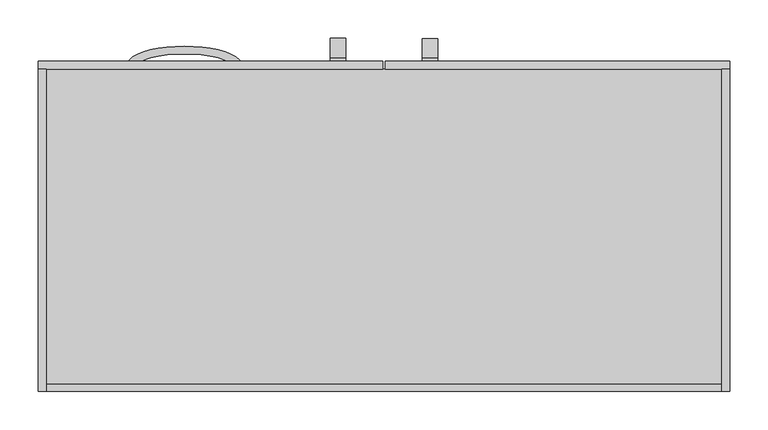
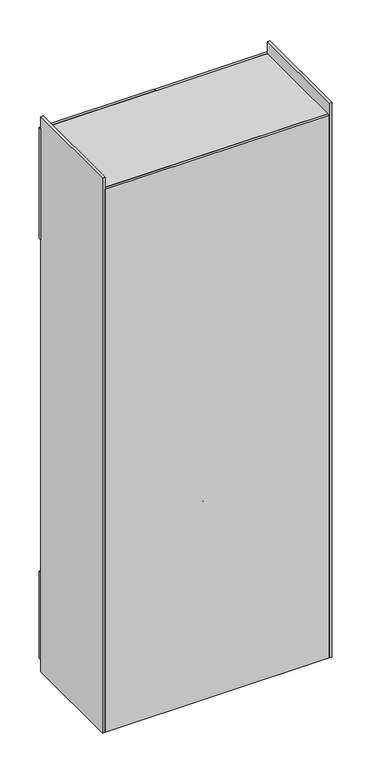
"""IFC4 building model written with IfcOpenShell, lengths in millimetres: furniture geometry."""

from ifc_helpers import new_model, si_unit, point, frame, frame_2d, origin, origin_with_axes, place, context, project, spatial, polyline, circle_curve, ellipse_curve, trimmed, segment, composite_curve, outline, extrude, source, transform, mapped, element, save
from ifc_brep_helpers import plane_surface, extruded_surface, advanced_brep


def furniture_317e4691(model_context):
    return source(origin(), model_context, "Body", "SolidModel", [
        advanced_brep(
        [(-70.0, 215.0, 2030.0), (-70.0, 215.0, 2045.0), (-70.0, 220.0, 2045.0), (-70.0, 220.0, 1895.0), (-70.0, 215.0, 1895.0), (-70.0, 215.0, 1910.0), (-70.0, 220.0, 1910.0), (-70.0, 220.0, 2030.0), (-50.0, 215.0, 2030.0), (-50.0, 220.0, 2030.0), (-50.0, 220.0, 1910.0), (-50.0, 215.0, 1910.0), (-50.0, 215.0, 1895.0), (-50.0, 220.0, 1895.0), (-50.0, 220.0, 2045.0), (-50.0, 215.0, 2045.0)],
        [
            (0, 1),
            (1, 2),
            (2, 3, ellipse_curve(frame((-70.0, 220.0, 1970.0), z_axis=(-1.0, 0.0, 0.0), x_axis=(0.0, 0.0, 1.0)), 75.0, 25.0)),
            (3, 4),
            (4, 5),
            (5, 6),
            (6, 7, ellipse_curve(frame((-70.0, 220.0, 1970.0), z_axis=(1.0, 0.0, 0.0), x_axis=(0.0, 0.0, 1.0)), 60.0, 15.0)),
            (7, 0),
            (8, 9),
            (9, 10, ellipse_curve(frame((-50.0, 220.0, 1970.0), z_axis=(-1.0, 0.0, 0.0), x_axis=(0.0, 0.0, 1.0)), 60.0, 15.0)),
            (10, 11),
            (11, 12),
            (12, 13),
            (13, 14, ellipse_curve(frame((-50.0, 220.0, 1970.0), z_axis=(1.0, 0.0, 0.0), x_axis=(0.0, 0.0, 1.0)), 75.0, 25.0)),
            (14, 15),
            (15, 8),
            (7, 9),
            (8, 0),
            (6, 10),
            (5, 11),
            (4, 12),
            (3, 13),
            (2, 14),
            (1, 15),
        ],
        [
            plane_surface(frame((-70.0, 227.1119554, 2030.0), z_axis=(-1.0, 0.0, 0.0), x_axis=(0.0, 1.0, 0.0))),
            plane_surface(frame((-50.0, 227.1119554, 2030.0), z_axis=(1.0, 0.0, 0.0), x_axis=(0.0, -1.0, 0.0))),
            plane_surface(frame((-70.0, 215.0, 2030.0), z_axis=(0.0, 0.0, -1.0), x_axis=(1.0, 0.0, 0.0))),
            extruded_surface(trimmed(ellipse_curve(frame((-50.0, 220.0, 1970.0), z_axis=(-1.0, 0.0, 0.0), x_axis=(0.0, 0.0, 1.0)), 60.0, 15.0), [point((-50.0, 220.0, 2030.0))], [point((-50.0, 220.0, 1910.0))], True, "CARTESIAN"), (20.0, 0.0, 0.0), 20.0),
            plane_surface(frame((-70.0, 220.0, 1910.0), z_axis=(0.0, 0.0, 1.0), x_axis=(1.0, 0.0, 0.0))),
            plane_surface(frame((-70.0, 215.0, 1910.0), z_axis=(0.0, -1.0, 0.0), x_axis=(1.0, 0.0, 0.0))),
            plane_surface(frame((-70.0, 215.0, 1895.0), z_axis=(0.0, 0.0, -1.0), x_axis=(1.0, 0.0, 0.0))),
            extruded_surface(trimmed(ellipse_curve(frame((-50.0, 220.0, 1970.0), z_axis=(1.0, 0.0, 0.0), x_axis=(0.0, 0.0, 1.0)), 75.0, 25.0), [point((-50.0, 220.0, 1895.0))], [point((-50.0, 220.0, 2045.0))], True, "CARTESIAN"), (20.0, 0.0, 0.0), 20.0),
            plane_surface(frame((-70.0, 220.0, 2045.0), z_axis=(0.0, 0.0, 1.0), x_axis=(1.0, 0.0, 0.0))),
            plane_surface(frame((-70.0, 215.0, 2045.0), z_axis=(0.0, -1.0, 0.0), x_axis=(1.0, 0.0, 0.0))),
        ],
        [
            (0, [[1, 2, 3, 4, 5, 6, 7, 8]]),
            (1, [[9, 10, 11, 12, 13, 14, 15, 16]]),
            (2, [[17, -9, 18, -8]]),
            (3, [[19, -10, -17, -7]]),
            (4, [[20, -11, -19, -6]]),
            (5, [[21, -12, -20, -5]]),
            (6, [[22, -13, -21, -4]]),
            (7, [[23, -14, -22, -3]]),
            (8, [[24, -15, -23, -2]]),
            (9, [[-18, -16, -24, -1]]),
        ],
    ),
        advanced_brep(
        [(70.0, 215.0, 2030.0), (70.0, 220.0, 2030.0), (70.0, 220.0, 1910.0), (70.0, 215.0, 1910.0), (70.0, 215.0, 1895.0), (70.0, 220.0, 1895.0), (70.0, 220.0, 2045.0), (70.0, 215.0, 2045.0), (50.0, 215.0, 2030.0), (50.0, 215.0, 2045.0), (50.0, 220.0, 2045.0), (50.0, 220.0, 1895.0), (50.0, 215.0, 1895.0), (50.0, 215.0, 1910.0), (50.0, 220.0, 1910.0), (50.0, 220.0, 2030.0)],
        [
            (0, 1),
            (1, 2, ellipse_curve(frame((70.0, 220.0, 1970.0), z_axis=(-1.0, 0.0, 0.0), x_axis=(0.0, 0.0, 1.0)), 60.0, 15.0)),
            (2, 3),
            (3, 4),
            (4, 5),
            (5, 6, ellipse_curve(frame((70.0, 220.0, 1970.0), z_axis=(1.0, 0.0, 0.0), x_axis=(0.0, 0.0, 1.0)), 75.0, 25.0)),
            (6, 7),
            (7, 0),
            (8, 9),
            (9, 10),
            (10, 11, ellipse_curve(frame((50.0, 220.0, 1970.0), z_axis=(-1.0, 0.0, 0.0), x_axis=(0.0, 0.0, 1.0)), 75.0, 25.0)),
            (11, 12),
            (12, 13),
            (13, 14),
            (14, 15, ellipse_curve(frame((50.0, 220.0, 1970.0), z_axis=(1.0, 0.0, 0.0), x_axis=(0.0, 0.0, 1.0)), 60.0, 15.0)),
            (15, 8),
            (0, 8),
            (15, 1),
            (14, 2),
            (13, 3),
            (12, 4),
            (11, 5),
            (10, 6),
            (9, 7),
        ],
        [
            plane_surface(frame((70.0, 227.1119554, 2030.0), z_axis=(1.0, 0.0, 0.0), x_axis=(0.0, 1.0, 0.0))),
            plane_surface(frame((50.0, 227.1119554, 2030.0), z_axis=(-1.0, 0.0, 0.0), x_axis=(0.0, -1.0, 0.0))),
            plane_surface(frame((70.0, 215.0, 2030.0), z_axis=(0.0, 0.0, -1.0), x_axis=(-1.0, 0.0, 0.0))),
            extruded_surface(trimmed(ellipse_curve(frame((30.0, 220.0, 1970.0), z_axis=(-1.0, 0.0, 0.0), x_axis=(0.0, 0.0, 1.0)), 60.0, 15.0), [point((30.0, 220.0, 2030.0))], [point((30.0, 220.0, 1910.0))], True, "CARTESIAN"), (20.0, 0.0, 0.0), 20.0),
            plane_surface(frame((70.0, 220.0, 1910.0), z_axis=(0.0, 0.0, 1.0), x_axis=(-1.0, 0.0, 0.0))),
            plane_surface(frame((70.0, 215.0, 1910.0), z_axis=(0.0, -1.0, 0.0), x_axis=(-1.0, 0.0, 0.0))),
            plane_surface(frame((70.0, 215.0, 1895.0), z_axis=(0.0, 0.0, -1.0), x_axis=(-1.0, 0.0, 0.0))),
            extruded_surface(trimmed(ellipse_curve(frame((30.0, 220.0, 1970.0), z_axis=(1.0, 0.0, 0.0), x_axis=(0.0, 0.0, 1.0)), 75.0, 25.0), [point((30.0, 220.0, 1895.0))], [point((30.0, 220.0, 2045.0))], True, "CARTESIAN"), (20.0, 0.0, 0.0), 20.0),
            plane_surface(frame((70.0, 220.0, 2045.0), z_axis=(0.0, 0.0, 1.0), x_axis=(-1.0, 0.0, 0.0))),
            plane_surface(frame((70.0, 215.0, 2045.0), z_axis=(0.0, -1.0, 0.0), x_axis=(-1.0, 0.0, 0.0))),
        ],
        [
            (0, [[1, 2, 3, 4, 5, 6, 7, 8]]),
            (1, [[9, 10, 11, 12, 13, 14, 15, 16]]),
            (2, [[-1, 17, -16, 18]]),
            (3, [[-2, -18, -15, 19]]),
            (4, [[-3, -19, -14, 20]]),
            (5, [[-4, -20, -13, 21]]),
            (6, [[-5, -21, -12, 22]]),
            (7, [[-6, -22, -11, 23]]),
            (8, [[-7, -23, -10, 24]]),
            (9, [[-8, -24, -9, -17]]),
        ],
    ),
        advanced_brep(
        [(-110.0, -25.0, 843.4142884), (-110.0, -20.0, 843.4142884), (-110.0, -20.0, 963.4142884), (-110.0, -25.0, 963.4142884), (-110.0, -25.0, 978.4142884), (-110.0, -20.0, 978.4142884), (-110.0, -20.0, 828.4142884), (-110.0, -25.0, 828.4142884), (-90.0, -25.0, 843.4142884), (-90.0, -25.0, 828.4142884), (-90.0, -20.0, 828.4142884), (-90.0, -20.0, 978.4142884), (-90.0, -25.0, 978.4142884), (-90.0, -25.0, 963.4142884), (-90.0, -20.0, 963.4142884), (-90.0, -20.0, 843.4142884)],
        [
            (0, 1),
            (1, 2, ellipse_curve(frame((-110.0, -20.0, 903.4142884), z_axis=(1.0, 0.0, 0.0), x_axis=(0.0, 0.0, -1.0)), 60.0, 15.0)),
            (2, 3),
            (3, 4),
            (4, 5),
            (5, 6, ellipse_curve(frame((-110.0, -20.0, 903.4142884), z_axis=(-1.0, 0.0, 0.0), x_axis=(0.0, 0.0, -1.0)), 75.0, 25.0)),
            (6, 7),
            (7, 0),
            (8, 9),
            (9, 10),
            (10, 11, ellipse_curve(frame((-90.0, -20.0, 903.4142884), z_axis=(1.0, 0.0, 0.0), x_axis=(0.0, 0.0, -1.0)), 75.0, 25.0)),
            (11, 12),
            (12, 13),
            (13, 14),
            (14, 15, ellipse_curve(frame((-90.0, -20.0, 903.4142884), z_axis=(-1.0, 0.0, 0.0), x_axis=(0.0, 0.0, -1.0)), 60.0, 15.0)),
            (15, 8),
            (0, 8),
            (15, 1),
            (14, 2),
            (13, 3),
            (12, 4),
            (11, 5),
            (10, 6),
            (9, 7),
        ],
        [
            plane_surface(frame((-110.0, -12.8880446, 843.4142884), z_axis=(-1.0, 0.0, 0.0), x_axis=(0.0, 1.0, 0.0))),
            plane_surface(frame((-90.0, -12.8880446, 843.4142884), z_axis=(1.0, 0.0, 0.0), x_axis=(0.0, -1.0, 0.0))),
            plane_surface(frame((-110.0, -25.0, 843.4142884), z_axis=(0.0, 0.0, 1.0), x_axis=(1.0, 0.0, 0.0))),
            extruded_surface(trimmed(ellipse_curve(frame((-70.0, -20.0, 903.4142884), z_axis=(1.0, 0.0, 0.0), x_axis=(0.0, 0.0, -1.0)), 60.0, 15.0), [point((-70.0, -20.0, 843.4142884))], [point((-70.0, -20.0, 963.4142884))], True, "CARTESIAN"), (-20.0, 0.0, 0.0), 20.0),
            plane_surface(frame((-110.0, -20.0, 963.4142884), z_axis=(0.0, 0.0, -1.0), x_axis=(1.0, 0.0, 0.0))),
            plane_surface(frame((-110.0, -25.0, 963.4142884), z_axis=(0.0, -1.0, 0.0), x_axis=(1.0, 0.0, 0.0))),
            plane_surface(frame((-110.0, -25.0, 978.4142884), z_axis=(0.0, 0.0, 1.0), x_axis=(1.0, 0.0, 0.0))),
            extruded_surface(trimmed(ellipse_curve(frame((-70.0, -20.0, 903.4142884), z_axis=(-1.0, 0.0, 0.0), x_axis=(0.0, 0.0, -1.0)), 75.0, 25.0), [point((-70.0, -20.0, 978.4142884))], [point((-70.0, -20.0, 828.4142884))], True, "CARTESIAN"), (-20.0, 0.0, 0.0), 20.0),
            plane_surface(frame((-110.0, -20.0, 828.4142884), z_axis=(0.0, 0.0, -1.0), x_axis=(1.0, 0.0, 0.0))),
            plane_surface(frame((-110.0, -25.0, 828.4142884), z_axis=(0.0, -1.0, 0.0), x_axis=(1.0, 0.0, 0.0))),
        ],
        [
            (0, [[1, 2, 3, 4, 5, 6, 7, 8]]),
            (1, [[9, 10, 11, 12, 13, 14, 15, 16]]),
            (2, [[-1, 17, -16, 18]]),
            (3, [[-2, -18, -15, 19]]),
            (4, [[-3, -19, -14, 20]]),
            (5, [[-4, -20, -13, 21]]),
            (6, [[-5, -21, -12, 22]]),
            (7, [[-6, -22, -11, 23]]),
            (8, [[-7, -23, -10, 24]]),
            (9, [[-8, -24, -9, -17]]),
        ],
    ),
        advanced_brep(
        [(-200.0, 205.0, 470.0), (-200.0, 210.0, 470.0), (-320.0, 210.0, 470.0), (-320.0, 205.0, 470.0), (-335.0, 205.0, 470.0), (-335.0, 210.0, 470.0), (-185.0, 210.0, 470.0), (-185.0, 205.0, 470.0), (-200.0, 205.0, 490.0), (-185.0, 205.0, 490.0), (-185.0, 210.0, 490.0), (-335.0, 210.0, 490.0), (-335.0, 205.0, 490.0), (-320.0, 205.0, 490.0), (-320.0, 210.0, 490.0), (-200.0, 210.0, 490.0)],
        [
            (0, 1),
            (1, 2, ellipse_curve(frame((-260.0, 210.0, 470.0), z_axis=(0.0, 0.0, 1.0), x_axis=(1.0, 0.0, 0.0)), 60.0, 15.0)),
            (2, 3),
            (3, 4),
            (4, 5),
            (5, 6, ellipse_curve(frame((-260.0, 210.0, 470.0), z_axis=(0.0, 0.0, -1.0), x_axis=(1.0, 0.0, 0.0)), 75.0, 25.0)),
            (6, 7),
            (7, 0),
            (8, 9),
            (9, 10),
            (10, 11, ellipse_curve(frame((-260.0, 210.0, 490.0), z_axis=(0.0, 0.0, 1.0), x_axis=(1.0, 0.0, 0.0)), 75.0, 25.0)),
            (11, 12),
            (12, 13),
            (13, 14),
            (14, 15, ellipse_curve(frame((-260.0, 210.0, 490.0), z_axis=(0.0, 0.0, -1.0), x_axis=(1.0, 0.0, 0.0)), 60.0, 15.0)),
            (15, 8),
            (0, 8),
            (15, 1),
            (14, 2),
            (13, 3),
            (12, 4),
            (11, 5),
            (10, 6),
            (9, 7),
        ],
        [
            plane_surface(frame((-200.0, 217.1119554, 470.0), z_axis=(0.0, 0.0, -1.0), x_axis=(0.0, 1.0, 0.0))),
            plane_surface(frame((-200.0, 217.1119554, 490.0), z_axis=(0.0, 0.0, 1.0), x_axis=(0.0, -1.0, 0.0))),
            plane_surface(frame((-200.0, 205.0, 470.0), z_axis=(-1.0, 0.0, 0.0), x_axis=(0.0, 0.0, 1.0))),
            extruded_surface(trimmed(ellipse_curve(frame((-260.0, 210.0, 510.0), z_axis=(0.0, 0.0, 1.0), x_axis=(1.0, 0.0, 0.0)), 60.0, 15.0), [point((-200.0, 210.0, 510.0))], [point((-320.0, 210.0, 510.0))], True, "CARTESIAN"), (0.0, 0.0, -20.0), 20.0),
            plane_surface(frame((-320.0, 210.0, 470.0), z_axis=(1.0, 0.0, 0.0), x_axis=(0.0, 0.0, 1.0))),
            plane_surface(frame((-320.0, 205.0, 470.0), z_axis=(0.0, -1.0, 0.0), x_axis=(0.0, 0.0, 1.0))),
            plane_surface(frame((-335.0, 205.0, 470.0), z_axis=(-1.0, 0.0, 0.0), x_axis=(0.0, 0.0, 1.0))),
            extruded_surface(trimmed(ellipse_curve(frame((-260.0, 210.0, 510.0), z_axis=(0.0, 0.0, -1.0), x_axis=(1.0, 0.0, 0.0)), 75.0, 25.0), [point((-335.0, 210.0, 510.0))], [point((-185.0, 210.0, 510.0))], True, "CARTESIAN"), (0.0, 0.0, -20.0), 20.0),
            plane_surface(frame((-185.0, 210.0, 470.0), z_axis=(1.0, 0.0, 0.0), x_axis=(0.0, 0.0, 1.0))),
            plane_surface(frame((-185.0, 205.0, 470.0), z_axis=(0.0, -1.0, 0.0), x_axis=(0.0, 0.0, 1.0))),
        ],
        [
            (0, [[1, 2, 3, 4, 5, 6, 7, 8]]),
            (1, [[9, 10, 11, 12, 13, 14, 15, 16]]),
            (2, [[-1, 17, -16, 18]]),
            (3, [[-2, -18, -15, 19]]),
            (4, [[-3, -19, -14, 20]]),
            (5, [[-4, -20, -13, 21]]),
            (6, [[-5, -21, -12, 22]]),
            (7, [[-6, -22, -11, 23]]),
            (8, [[-7, -23, -10, 24]]),
            (9, [[-8, -24, -9, -17]]),
        ],
    ),
        advanced_brep(
        [(-70.0, 215.0, 280.0), (-70.0, 215.0, 295.0), (-70.0, 220.0, 295.0), (-70.0, 220.0, 145.0), (-70.0, 215.0, 145.0), (-70.0, 215.0, 160.0), (-70.0, 220.0, 160.0), (-70.0, 220.0, 280.0), (-50.0, 215.0, 280.0), (-50.0, 220.0, 280.0), (-50.0, 220.0, 160.0), (-50.0, 215.0, 160.0), (-50.0, 215.0, 145.0), (-50.0, 220.0, 145.0), (-50.0, 220.0, 295.0), (-50.0, 215.0, 295.0)],
        [
            (0, 1),
            (1, 2),
            (2, 3, ellipse_curve(frame((-70.0, 220.0, 220.0), z_axis=(-1.0, 0.0, 0.0), x_axis=(0.0, 0.0, 1.0)), 75.0, 25.0)),
            (3, 4),
            (4, 5),
            (5, 6),
            (6, 7, ellipse_curve(frame((-70.0, 220.0, 220.0), z_axis=(1.0, 0.0, 0.0), x_axis=(0.0, 0.0, 1.0)), 60.0, 15.0)),
            (7, 0),
            (8, 9),
            (9, 10, ellipse_curve(frame((-50.0, 220.0, 220.0), z_axis=(-1.0, 0.0, 0.0), x_axis=(0.0, 0.0, 1.0)), 60.0, 15.0)),
            (10, 11),
            (11, 12),
            (12, 13),
            (13, 14, ellipse_curve(frame((-50.0, 220.0, 220.0), z_axis=(1.0, 0.0, 0.0), x_axis=(0.0, 0.0, 1.0)), 75.0, 25.0)),
            (14, 15),
            (15, 8),
            (7, 9),
            (8, 0),
            (6, 10),
            (5, 11),
            (4, 12),
            (3, 13),
            (2, 14),
            (1, 15),
        ],
        [
            plane_surface(frame((-70.0, 227.1119554, 280.0), z_axis=(-1.0, 0.0, 0.0), x_axis=(0.0, 1.0, 0.0))),
            plane_surface(frame((-50.0, 227.1119554, 280.0), z_axis=(1.0, 0.0, 0.0), x_axis=(0.0, -1.0, 0.0))),
            plane_surface(frame((-70.0, 215.0, 280.0), z_axis=(0.0, 0.0, -1.0), x_axis=(1.0, 0.0, 0.0))),
            extruded_surface(trimmed(ellipse_curve(frame((-50.0, 220.0, 220.0), z_axis=(-1.0, 0.0, 0.0), x_axis=(0.0, 0.0, 1.0)), 60.0, 15.0), [point((-50.0, 220.0, 280.0))], [point((-50.0, 220.0, 160.0))], True, "CARTESIAN"), (20.0, 0.0, 0.0), 20.0),
            plane_surface(frame((-70.0, 220.0, 160.0), z_axis=(0.0, 0.0, 1.0), x_axis=(1.0, 0.0, 0.0))),
            plane_surface(frame((-70.0, 215.0, 160.0), z_axis=(0.0, -1.0, 0.0), x_axis=(1.0, 0.0, 0.0))),
            plane_surface(frame((-70.0, 215.0, 145.0), z_axis=(0.0, 0.0, -1.0), x_axis=(1.0, 0.0, 0.0))),
            extruded_surface(trimmed(ellipse_curve(frame((-50.0, 220.0, 220.0), z_axis=(1.0, 0.0, 0.0), x_axis=(0.0, 0.0, 1.0)), 75.0, 25.0), [point((-50.0, 220.0, 145.0))], [point((-50.0, 220.0, 295.0))], True, "CARTESIAN"), (20.0, 0.0, 0.0), 20.0),
            plane_surface(frame((-70.0, 220.0, 295.0), z_axis=(0.0, 0.0, 1.0), x_axis=(1.0, 0.0, 0.0))),
            plane_surface(frame((-70.0, 215.0, 295.0), z_axis=(0.0, -1.0, 0.0), x_axis=(1.0, 0.0, 0.0))),
        ],
        [
            (0, [[1, 2, 3, 4, 5, 6, 7, 8]]),
            (1, [[9, 10, 11, 12, 13, 14, 15, 16]]),
            (2, [[17, -9, 18, -8]]),
            (3, [[19, -10, -17, -7]]),
            (4, [[20, -11, -19, -6]]),
            (5, [[21, -12, -20, -5]]),
            (6, [[22, -13, -21, -4]]),
            (7, [[23, -14, -22, -3]]),
            (8, [[24, -15, -23, -2]]),
            (9, [[-18, -16, -24, -1]]),
        ],
    ),
        advanced_brep(
        [(70.0, 215.0, 280.0), (70.0, 220.0, 280.0), (70.0, 220.0, 160.0), (70.0, 215.0, 160.0), (70.0, 215.0, 145.0), (70.0, 220.0, 145.0), (70.0, 220.0, 295.0), (70.0, 215.0, 295.0), (50.0, 215.0, 280.0), (50.0, 215.0, 295.0), (50.0, 220.0, 295.0), (50.0, 220.0, 145.0), (50.0, 215.0, 145.0), (50.0, 215.0, 160.0), (50.0, 220.0, 160.0), (50.0, 220.0, 280.0)],
        [
            (0, 1),
            (1, 2, ellipse_curve(frame((70.0, 220.0, 220.0), z_axis=(-1.0, 0.0, 0.0), x_axis=(0.0, 0.0, 1.0)), 60.0, 15.0)),
            (2, 3),
            (3, 4),
            (4, 5),
            (5, 6, ellipse_curve(frame((70.0, 220.0, 220.0), z_axis=(1.0, 0.0, 0.0), x_axis=(0.0, 0.0, 1.0)), 75.0, 25.0)),
            (6, 7),
            (7, 0),
            (8, 9),
            (9, 10),
            (10, 11, ellipse_curve(frame((50.0, 220.0, 220.0), z_axis=(-1.0, 0.0, 0.0), x_axis=(0.0, 0.0, 1.0)), 75.0, 25.0)),
            (11, 12),
            (12, 13),
            (13, 14),
            (14, 15, ellipse_curve(frame((50.0, 220.0, 220.0), z_axis=(1.0, 0.0, 0.0), x_axis=(0.0, 0.0, 1.0)), 60.0, 15.0)),
            (15, 8),
            (0, 8),
            (15, 1),
            (14, 2),
            (13, 3),
            (12, 4),
            (11, 5),
            (10, 6),
            (9, 7),
        ],
        [
            plane_surface(frame((70.0, 227.1119554, 280.0), z_axis=(1.0, 0.0, 0.0), x_axis=(0.0, 1.0, 0.0))),
            plane_surface(frame((50.0, 227.1119554, 280.0), z_axis=(-1.0, 0.0, 0.0), x_axis=(0.0, -1.0, 0.0))),
            plane_surface(frame((70.0, 215.0, 280.0), z_axis=(0.0, 0.0, -1.0), x_axis=(-1.0, 0.0, 0.0))),
            extruded_surface(trimmed(ellipse_curve(frame((30.0, 220.0, 220.0), z_axis=(-1.0, 0.0, 0.0), x_axis=(0.0, 0.0, 1.0)), 60.0, 15.0), [point((30.0, 220.0, 280.0))], [point((30.0, 220.0, 160.0))], True, "CARTESIAN"), (20.0, 0.0, 0.0), 20.0),
            plane_surface(frame((70.0, 220.0, 160.0), z_axis=(0.0, 0.0, 1.0), x_axis=(-1.0, 0.0, 0.0))),
            plane_surface(frame((70.0, 215.0, 160.0), z_axis=(0.0, -1.0, 0.0), x_axis=(-1.0, 0.0, 0.0))),
            plane_surface(frame((70.0, 215.0, 145.0), z_axis=(0.0, 0.0, -1.0), x_axis=(-1.0, 0.0, 0.0))),
            extruded_surface(trimmed(ellipse_curve(frame((30.0, 220.0, 220.0), z_axis=(1.0, 0.0, 0.0), x_axis=(0.0, 0.0, 1.0)), 75.0, 25.0), [point((30.0, 220.0, 145.0))], [point((30.0, 220.0, 295.0))], True, "CARTESIAN"), (20.0, 0.0, 0.0), 20.0),
            plane_surface(frame((70.0, 220.0, 295.0), z_axis=(0.0, 0.0, 1.0), x_axis=(-1.0, 0.0, 0.0))),
            plane_surface(frame((70.0, 215.0, 295.0), z_axis=(0.0, -1.0, 0.0), x_axis=(-1.0, 0.0, 0.0))),
        ],
        [
            (0, [[1, 2, 3, 4, 5, 6, 7, 8]]),
            (1, [[9, 10, 11, 12, 13, 14, 15, 16]]),
            (2, [[-1, 17, -16, 18]]),
            (3, [[-2, -18, -15, 19]]),
            (4, [[-3, -19, -14, 20]]),
            (5, [[-4, -20, -13, 21]]),
            (6, [[-5, -21, -12, 22]]),
            (7, [[-6, -22, -11, 23]]),
            (8, [[-7, -23, -10, 24]]),
            (9, [[-8, -24, -9, -17]]),
        ],
    ),
        extrude(outline(polyline([(-385.713932, -23.0), (-147.376996, -23.0), (-147.376996, -25.0), (-385.713932, -25.0), (-385.713932, -23.0)])), frame((0.0, 0.0, 843.8797619), z_axis=(0.0, 0.0, 1.0), x_axis=(1.0, 0.0, 0.0)), (0.0, 0.0, 1.0), 880.0),
        extrude(outline(composite_curve([segment(polyline([(-205.0, 410.0), (-205.0, 809.5272244)]), True, "CONTINUOUS"), segment(trimmed(circle_curve(frame_2d((-201.6458549, 809.5272244)), 3.3541451), [point((-205.0, 809.5272244))], [point((-198.2917097, 809.5272244))], False, "CARTESIAN"), True, "CONTINUOUS"), segment(trimmed(circle_curve(frame_2d((-751.1113798, 596.0735206)), 592.5977314), [point((-198.2917097, 809.5272244))], [point((-179.7408208, 438.8865121))], False, "CARTESIAN"), True, "CONTINUOUS"), segment(trimmed(circle_curve(frame_2d((-5.4929065, -325.3355715)), 783.8352688), [point((-179.7408208, 438.8865121))], [point((185.0, 435.0))], False, "CARTESIAN"), True, "CONTINUOUS"), segment(trimmed(circle_curve(frame_2d((185.0, 422.5)), 12.5), [point((185.0, 435.0))], [point((185.0, 410.0))], False, "CARTESIAN"), True, "CONTINUOUS"), segment(polyline([(185.0, 410.0), (-205.0, 410.0)]), True, "CONTINUOUS")], self_intersect=False)), frame((-50.0, 0.0, 0.0), z_axis=(1.0, 0.0, 0.0), x_axis=(0.0, 1.0, 0.0)), (0.0, 0.0, 1.0), 490.0),
        extrude(outline(composite_curve([segment(polyline([(-440.0, 104.6920715), (-210.0, 104.6920715)]), True, "CONTINUOUS"), segment(trimmed(circle_curve(frame_2d((-210.0, -45.3079285)), 150.0), [point((-210.0, 104.6920715))], [point((-60.0, -45.3079285))], False, "CARTESIAN"), True, "CONTINUOUS"), segment(polyline([(-60.0, -45.3079285), (-60.0, -205.0), (-440.0, -205.0), (-440.0, 104.6920715)]), True, "CONTINUOUS")], self_intersect=False)), frame((0.0, 0.0, 650.0), z_axis=(0.0, 0.0, 1.0), x_axis=(1.0, 0.0, 0.0)), (0.0, 0.0, 1.0), 10.0),
        extrude(outline(polyline([(-60.0, -205.0), (-60.0, -25.0), (-50.0, -25.0), (-50.0, -205.0), (-60.0, -205.0)])), frame((0.0, 0.0, 550.0), z_axis=(0.0, 0.0, 1.0), x_axis=(1.0, 0.0, 0.0)), (0.0, 0.0, 1.0), 1240.0),
        extrude(outline(polyline([(-60.0, -205.0), (-440.0, -205.0), (-440.0, 195.0), (-60.0, 195.0), (-60.0, -205.0)])), frame((0.0, 0.0, 540.0), z_axis=(0.0, 0.0, 1.0), x_axis=(1.0, 0.0, 0.0)), (0.0, 0.0, 1.0), 10.0),
        extrude(outline(polyline([(-60.0, -205.0), (-60.0, 195.0), (-50.0, 195.0), (-50.0, -205.0), (-60.0, -205.0)])), frame((0.0, 0.0, 400.0), z_axis=(0.0, 0.0, 1.0), x_axis=(1.0, 0.0, 0.0)), (0.0, 0.0, 1.0), 150.0),
        extrude(outline(polyline([(-50.0, 205.0), (-50.0, 196.5695505), (-440.0, 196.5695505), (-440.0, 205.0), (-50.0, 205.0)])), frame((0.0, 0.0, 410.0), z_axis=(0.0, 0.0, 1.0), x_axis=(1.0, 0.0, 0.0)), (0.0, 0.0, 1.0), 140.0),
        extrude(outline(polyline([(-61.663064, -25.0), (-61.663064, -35.0), (-440.0, -35.0), (-440.0, -25.0), (-61.663064, -25.0)])), frame((0.0, 0.0, 790.0), z_axis=(0.0, 0.0, 1.0), x_axis=(1.0, 0.0, 0.0)), (0.0, 0.0, 1.0), 1000.0),
        extrude(outline(polyline([(440.0, -205.0), (-440.0, -205.0), (-440.0, 205.0), (440.0, 205.0), (440.0, -205.0)])), frame((0.0, 0.0, 400.0), z_axis=(0.0, 0.0, 1.0), x_axis=(1.0, 0.0, 0.0)), (0.0, 0.0, 1.0), 10.0),
        extrude(outline(polyline([(440.0, -205.0), (-440.0, -205.0), (-440.0, 205.0), (440.0, 205.0), (440.0, -205.0)])), frame((0.0, 0.0, 1790.0), z_axis=(0.0, 0.0, 1.0), x_axis=(1.0, 0.0, 0.0)), (0.0, 0.0, 1.0), 10.0),
        extrude(outline(polyline([(1.779776, 215.0), (450.0, 215.0), (450.0, 205.0), (1.779776, 205.0), (1.779776, 215.0)])), frame((0.0, 0.0, 1790.0), z_axis=(0.0, 0.0, 1.0), x_axis=(1.0, 0.0, 0.0)), (0.0, 0.0, 1.0), 460.0),
        extrude(outline(polyline([(-1.3749556, 215.0), (-1.3749556, 205.0), (-450.0, 205.0), (-450.0, 215.0), (-1.3749556, 215.0)])), frame((0.0, 0.0, 1790.0), z_axis=(0.0, 0.0, 1.0), x_axis=(1.0, 0.0, 0.0)), (0.0, 0.0, 1.0), 460.0),
        extrude(outline(polyline([(440.0, -205.0), (-440.0, -205.0), (-440.0, 205.0), (440.0, 205.0), (440.0, -205.0)])), frame((0.0, 0.0, 2240.0), z_axis=(0.0, 0.0, 1.0), x_axis=(1.0, 0.0, 0.0)), (0.0, 0.0, 1.0), 10.0),
        extrude(outline(polyline([(-440.0, 205.0), (-440.0, -215.0), (-450.0, -215.0), (-450.0, 205.0), (-440.0, 205.0)])), origin_with_axes(), (0.0, 0.0, 1.0), 2300.0),
        extrude(outline(polyline([(440.0, 205.0), (450.0, 205.0), (450.0, -215.0), (440.0, -215.0), (440.0, 205.0)])), origin_with_axes(), (0.0, 0.0, 1.0), 2300.0),
        extrude(outline(polyline([(440.0, 205.0), (440.0, 195.0), (-440.0, 195.0), (-440.0, 205.0), (440.0, 205.0)])), origin_with_axes(), (0.0, 0.0, 1.0), 50.0),
        extrude(outline(polyline([(1.779776, 215.0), (450.0, 215.0), (450.0, 205.0), (1.779776, 205.0), (1.779776, 215.0)])), frame((0.0, 0.0, 50.0), z_axis=(0.0, 0.0, 1.0), x_axis=(1.0, 0.0, 0.0)), (0.0, 0.0, 1.0), 360.0),
        extrude(outline(polyline([(-1.3749556, 215.0), (-1.3749556, 205.0), (-450.0, 205.0), (-450.0, 215.0), (-1.3749556, 215.0)])), frame((0.0, 0.0, 50.0), z_axis=(0.0, 0.0, 1.0), x_axis=(1.0, 0.0, 0.0)), (0.0, 0.0, 1.0), 360.0),
        extrude(outline(polyline([(440.0, -215.0), (-440.0, -215.0), (-440.0, -205.0), (440.0, -205.0), (440.0, -215.0)])), origin_with_axes(), (0.0, 0.0, 1.0), 2250.0),
    ])


if __name__ == "__main__":
    model = new_model("IFC4")
    model_context = context("Model", 3, world=origin())
    ifc_project = project(units=[si_unit("LENGTHUNIT", "METRE", prefix="MILLI")], contexts=[model_context])
    site = spatial("IfcSite", under=ifc_project)
    building = spatial("IfcBuilding", under=site)
    placement = place(None, origin())
    furniture_shape = furniture_317e4691(model_context)
    element("IfcFurniture", 1, at=placement, inside=building, context=model_context, shape_type="MappedRepresentation", body=[
        mapped(furniture_shape, transform((0.0, 0.0, 0.0), x_axis=(1.0, 0.0, 0.0), y_axis=(0.0, 1.0, 0.0), z_axis=(0.0, 0.0, 1.0))),
    ])
    save(model, "model.ifc")
